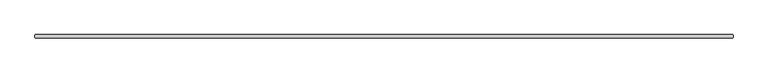
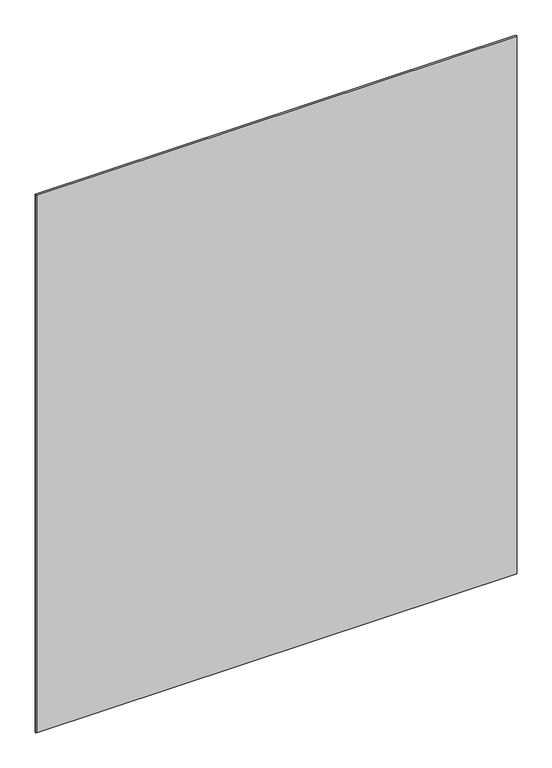
"""IFC4 building model written with IfcOpenShell, lengths in millimetres: plate geometry."""

from ifc_helpers import new_model, si_unit, origin, origin_with_axes, place, context, project, spatial, polyline, outline, extrude, source, transform, mapped, element, save


def plate_458f27d3(model_context):
    return source(origin(), model_context, "Body", "SweptSolid", [
        extrude(outline(polyline([(1027.1125, 34.925), (1028.7, 33.3375), (1028.7, 26.9875), (1027.1125, 25.4), (-1027.1125, 25.4), (-1028.7, 26.9875), (-1028.7, 33.3375), (-1027.1125, 34.925), (1027.1125, 34.925)])), origin_with_axes(), (0.0, 0.0, 1.0), 2428.7789267),
    ])


if __name__ == "__main__":
    model = new_model("IFC4")
    model_context = context("Model", 3, world=origin())
    ifc_project = project(units=[si_unit("LENGTHUNIT", "METRE", prefix="MILLI")], contexts=[model_context])
    site = spatial("IfcSite", under=ifc_project)
    building = spatial("IfcBuilding", under=site)
    placement = place(None, origin())
    plate_shape = plate_458f27d3(model_context)
    element("IfcPlate", 1, at=placement, inside=building, context=model_context, shape_type="MappedRepresentation", body=[
        mapped(plate_shape, transform((0.0, 0.0, 0.0), x_axis=(1.0, 0.0, 0.0), y_axis=(0.0, 1.0, 0.0), z_axis=(0.0, 0.0, 1.0))),
    ])
    save(model, "model.ifc")
